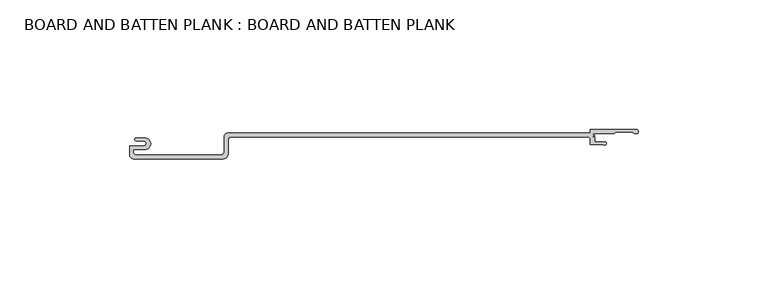
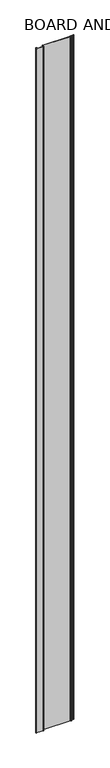
"""IFC4 building model written with IfcOpenShell, lengths in millimetres: proxy geometry, BOARD AND BATTEN PLANK : BOARD AND BATTEN PLANK."""

from ifc_helpers import new_model, si_unit, point, frame_2d, origin, origin_with_axes, place, context, project, spatial, polyline, circle_curve, trimmed, segment, composite_curve, outline, extrude, source, transform, mapped, element, save


def board_and_batten_plank_board_and_batten_plank_ca9b286f(model_context):
    return source(origin(), model_context, "Body", "SweptSolid", [
        extrude(outline(composite_curve([segment(polyline([(-63.9256197, 0.0), (-98.4944074, 0.0)]), True, "CONTINUOUS"), segment(trimmed(circle_curve(frame_2d((-98.4944074, 1.5055926)), 1.5055926), [point((-98.4944074, 0.0))], [point((-100.0, 1.5055926))], False, "CARTESIAN"), True, "CONTINUOUS"), segment(polyline([(-100.0, 1.5055926), (-100.0, 4.9824413), (-94.5398777, 4.9824413)]), True, "CONTINUOUS"), segment(trimmed(circle_curve(frame_2d((-94.5398777, 5.9567493)), 0.9743081), [point((-94.5398777, 4.9824413))], [point((-94.5398777, 6.9310574))], True, "CARTESIAN"), True, "CONTINUOUS"), segment(polyline([(-94.5398777, 6.9310574), (-97.3987752, 6.9310574)]), True, "CONTINUOUS"), segment(trimmed(circle_curve(frame_2d((-97.3987752, 7.4987077)), 0.5676504), [point((-97.3987752, 6.9310574))], [point((-97.3987752, 8.0663581))], False, "CARTESIAN"), True, "CONTINUOUS"), segment(polyline([(-97.3987752, 8.0663581), (-94.1603417, 8.0663581)]), True, "CONTINUOUS"), segment(trimmed(circle_curve(frame_2d((-94.1603417, 5.8149035)), 2.2514545), [point((-94.1603417, 8.0663581))], [point((-94.1603417, 3.563449))], False, "CARTESIAN"), True, "CONTINUOUS"), segment(polyline([(-94.1603417, 3.563449), (-98.4944074, 3.563449), (-98.4944074, 2.3830715)]), True, "CONTINUOUS"), segment(trimmed(circle_curve(frame_2d((-97.6169285, 2.3830715)), 0.8774789), [point((-98.4944074, 2.3830715))], [point((-97.6169285, 1.5055926))], True, "CARTESIAN"), True, "CONTINUOUS"), segment(polyline([(-97.6169285, 1.5055926), (-64.3101106, 1.5055926)]), True, "CONTINUOUS"), segment(trimmed(circle_curve(frame_2d((-65.112179, 2.8948158)), 1.6041368), [point((-64.3101106, 1.5055926))], [point((-63.5080422, 2.8948158))], True, "CARTESIAN"), True, "CONTINUOUS"), segment(polyline([(-63.5080422, 2.8948158), (-63.5080422, 8.3940386)]), True, "CONTINUOUS"), segment(trimmed(circle_curve(frame_2d((-61.9270391, 8.3940386)), 1.5810031), [point((-63.5080422, 8.3940386))], [point((-61.9270391, 9.9750417))], False, "CARTESIAN"), True, "CONTINUOUS"), segment(polyline([(-61.9270391, 9.9750417), (77.7737465, 9.9750417), (77.7737465, 11.3642895), (95.4727279, 11.3642895)]), True, "CONTINUOUS"), segment(trimmed(circle_curve(frame_2d((95.4727279, 10.5239866)), 0.8403029), [point((95.4727279, 11.3642895))], [point((95.4727279, 9.6836838))], False, "CARTESIAN"), True, "CONTINUOUS"), segment(polyline([(95.4727279, 9.6836838), (94.6631697, 9.6836838), (93.9687751, 10.3780783), (87.6523101, 10.3780783), (86.9579156, 9.6836838), (79.4556416, 9.6836838), (78.6673553, 9.3160998), (79.4556416, 8.9485159), (78.7004873, 8.5963816), (79.4556416, 8.3940386), (79.4556416, 6.4138227), (83.740458, 6.4138227)]), True, "CONTINUOUS"), segment(trimmed(circle_curve(frame_2d((83.2571023, 5.930467)), 0.6835682), [point((83.740458, 6.4138227))], [point((82.7737465, 5.4471113))], False, "CARTESIAN"), True, "CONTINUOUS"), segment(polyline([(82.7737465, 5.4471113), (77.7737465, 5.4471113), (77.7737465, 7.3947483)]), True, "CONTINUOUS"), segment(trimmed(circle_curve(frame_2d((76.7744562, 7.3947483)), 0.9992903), [point((77.7737465, 7.3947483))], [point((76.7744562, 8.3940386))], True, "CARTESIAN"), True, "CONTINUOUS"), segment(polyline([(76.7744562, 8.3940386), (-60.9277488, 8.3940386)]), True, "CONTINUOUS"), segment(trimmed(circle_curve(frame_2d((-60.9277488, 7.3947483)), 0.9992903), [point((-60.9277488, 8.3940386))], [point((-61.9270391, 7.3947483))], True, "CARTESIAN"), True, "CONTINUOUS"), segment(polyline([(-61.9270391, 7.3947483), (-61.9270391, 1.9985806)]), True, "CONTINUOUS"), segment(trimmed(circle_curve(frame_2d((-63.9256197, 1.9985806)), 1.9985806), [point((-61.9270391, 1.9985806))], [point((-63.9256197, 0.0))], False, "CARTESIAN"), True, "CONTINUOUS")], self_intersect=False)), origin_with_axes(), (0.0, 0.0, 1.0), 3673.856),
    ])


if __name__ == "__main__":
    model = new_model("IFC4")
    model_context = context("Model", 3, world=origin())
    ifc_project = project(units=[si_unit("LENGTHUNIT", "METRE", prefix="MILLI")], contexts=[model_context])
    site = spatial("IfcSite", under=ifc_project)
    building = spatial("IfcBuilding", under=site)
    placement = place(None, origin())
    board_and_batten_plank_board_and_batten_plank_shape = board_and_batten_plank_board_and_batten_plank_ca9b286f(model_context)
    element("IfcBuildingElementProxy", 1, Name="BOARD AND BATTEN PLANK : BOARD AND BATTEN PLANK", ObjectType="BOARD AND BATTEN PLANK : BOARD AND BATTEN PLANK", at=placement, inside=building, context=model_context, shape_type="MappedRepresentation", body=[
        mapped(board_and_batten_plank_board_and_batten_plank_shape, transform((0.0, 0.0, 0.0), x_axis=(1.0, 0.0, 0.0), y_axis=(0.0, 1.0, 0.0), z_axis=(0.0, 0.0, 1.0))),
    ])
    save(model, "model.ifc")
